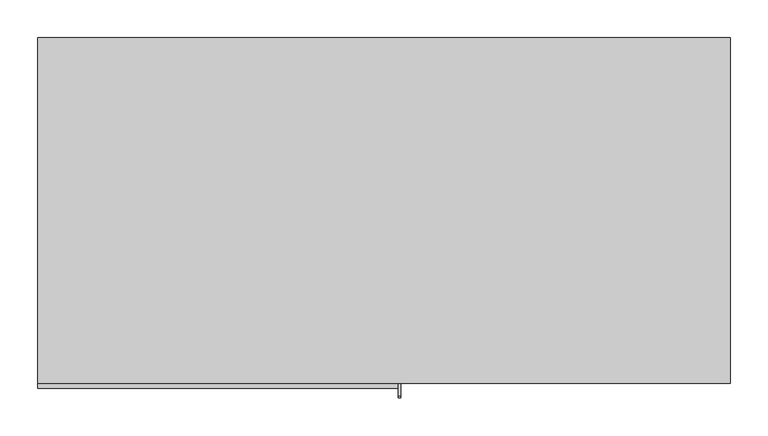
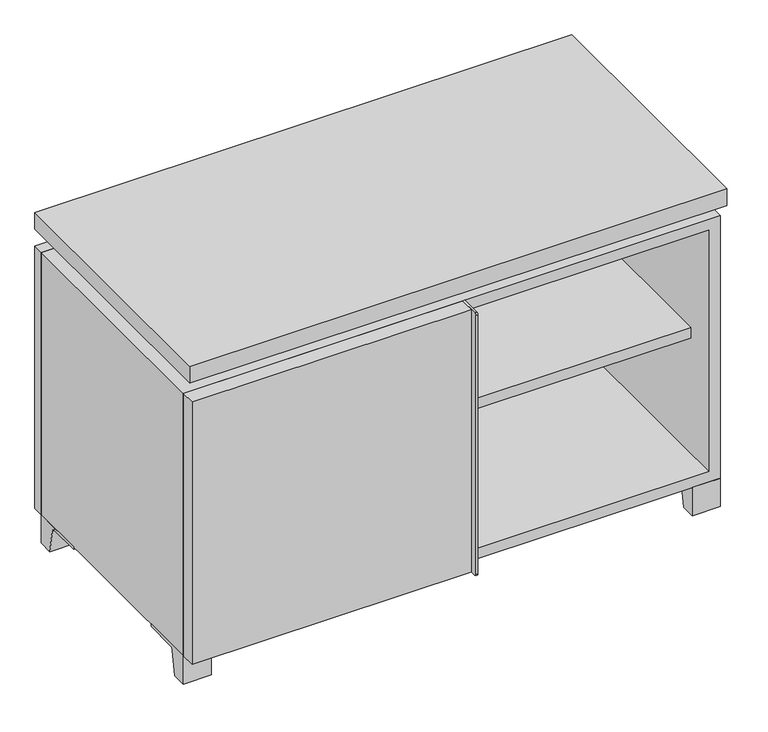
"""IFC4 building model written with IfcOpenShell, lengths in millimetres: furniture geometry."""

from ifc_helpers import new_model, si_unit, point, frame, frame_2d, origin, place, context, project, spatial, polyline, circle_curve, trimmed, segment, composite_curve, outline, extrude, faceted_brep, source, transform, mapped, element, save


def furniture_01d9b42a(model_context):
    return source(origin(), model_context, "Body", "SolidModel", [
        extrude(outline(polyline([(9.5319453, 241.3), (438.1569453, 241.3), (438.1569453, -92.075), (9.5319453, -92.075), (9.5319453, 241.3)])), frame((0.0, 0.0, 277.8125), z_axis=(0.0, 0.0, 1.0), x_axis=(1.0, 0.0, 0.0)), (0.0, 0.0, 1.0), 19.05),
        extrude(outline(polyline([(-9.5041641, 241.3), (-9.5041641, -92.075), (-438.1291641, -92.075), (-438.1291641, 241.3), (-9.5041641, 241.3)])), frame((0.0, 0.0, 277.8125), z_axis=(0.0, 0.0, 1.0), x_axis=(1.0, 0.0, 0.0)), (0.0, 0.0, 1.0), 19.05),
        extrude(outline(polyline([(457.2138906, 292.1), (457.2138906, -165.1), (-457.1861094, -165.1), (-457.1861094, 292.1), (457.2138906, 292.1)])), frame((0.0, 0.0, 554.0375), z_axis=(0.0, 0.0, 1.0), x_axis=(1.0, 0.0, 0.0)), (0.0, 0.0, 1.0), 30.1625),
        extrude(outline(composite_curve([segment(polyline([(-146.05, 523.875), (-146.05, 50.8), (-180.975, 50.8)]), True, "CONTINUOUS"), segment(trimmed(circle_curve(frame_2d((-180.975, 53.975)), 3.175), [point((-180.975, 50.8))], [point((-184.15, 53.975))], False, "CARTESIAN"), True, "CONTINUOUS"), segment(polyline([(-184.15, 53.975), (-184.15, 520.7)]), True, "CONTINUOUS"), segment(trimmed(circle_curve(frame_2d((-180.975, 520.7)), 3.175), [point((-184.15, 520.7))], [point((-180.975, 523.875))], False, "CARTESIAN"), True, "CONTINUOUS"), segment(polyline([(-180.975, 523.875), (-146.05, 523.875)]), True, "CONTINUOUS")], self_intersect=False)), frame((19.0638906, 0.0, 0.0), z_axis=(1.0, 0.0, 0.0), x_axis=(0.0, 1.0, 0.0)), (0.0, 0.0, 1.0), 3.175),
        extrude(outline(polyline([(-457.1861094, -146.05), (19.0638906, -146.05), (19.0638906, -171.45), (-457.1861094, -171.45), (-457.1861094, -146.05)])), frame((0.0, 0.0, 50.8), z_axis=(0.0, 0.0, 1.0), x_axis=(1.0, 0.0, 0.0)), (0.0, 0.0, 1.0), 473.075),
        extrude(outline(composite_curve([segment(polyline([(-120.6500136, 0.0), (-146.05, 0.0), (-146.05, 50.8), (-50.8, 50.8), (-50.8, 46.0213321), (-107.6005345, 46.0213321)]), True, "CONTINUOUS"), segment(trimmed(circle_curve(frame_2d((-107.6005345, 39.6713321)), 6.35), [point((-107.6005345, 46.0213321))], [point((-113.8641359, 40.7152656))], True, "CARTESIAN"), True, "CONTINUOUS"), segment(polyline([(-113.8641359, 40.7152656), (-120.6500136, 0.0)]), True, "CONTINUOUS")], self_intersect=False)), frame((409.5888906, 0.0, 0.0), z_axis=(1.0, 0.0, 0.0), x_axis=(0.0, 1.0, 0.0)), (0.0, 0.0, 1.0), 47.625),
        extrude(outline(composite_curve([segment(polyline([(247.6500136, 0.0), (240.8641359, 40.7152656)]), True, "CONTINUOUS"), segment(trimmed(circle_curve(frame_2d((234.6005345, 39.6713321)), 6.35), [point((240.8641359, 40.7152656))], [point((234.6005345, 46.0213321))], True, "CARTESIAN"), True, "CONTINUOUS"), segment(polyline([(234.6005345, 46.0213321), (177.8, 46.0213321), (177.8, 50.8), (273.05, 50.8), (273.05, 0.0), (247.6500136, 0.0)]), True, "CONTINUOUS")], self_intersect=False)), frame((409.5888906, 0.0, 0.0), z_axis=(1.0, 0.0, 0.0), x_axis=(0.0, 1.0, 0.0)), (0.0, 0.0, 1.0), 47.625),
        extrude(outline(composite_curve([segment(polyline([(-120.6500136, 0.0), (-146.05, 0.0), (-146.05, 50.8), (-50.8, 50.8), (-50.8, 46.0213321), (-107.6005345, 46.0213321)]), True, "CONTINUOUS"), segment(trimmed(circle_curve(frame_2d((-107.6005345, 39.6713321)), 6.35), [point((-107.6005345, 46.0213321))], [point((-113.8641359, 40.7152656))], True, "CARTESIAN"), True, "CONTINUOUS"), segment(polyline([(-113.8641359, 40.7152656), (-120.6500136, 0.0)]), True, "CONTINUOUS")], self_intersect=False)), frame((-457.1861094, 0.0, 0.0), z_axis=(1.0, 0.0, 0.0), x_axis=(0.0, 1.0, 0.0)), (0.0, 0.0, 1.0), 47.625),
        extrude(outline(composite_curve([segment(polyline([(247.6500136, 0.0), (240.8641359, 40.7152656)]), True, "CONTINUOUS"), segment(trimmed(circle_curve(frame_2d((234.6005345, 39.6713321)), 6.35), [point((240.8641359, 40.7152656))], [point((234.6005345, 46.0213321))], True, "CARTESIAN"), True, "CONTINUOUS"), segment(polyline([(234.6005345, 46.0213321), (177.8, 46.0213321), (177.8, 50.8), (273.05, 50.8), (273.05, 0.0), (247.6500136, 0.0)]), True, "CONTINUOUS")], self_intersect=False)), frame((-457.1861094, 0.0, 0.0), z_axis=(1.0, 0.0, 0.0), x_axis=(0.0, 1.0, 0.0)), (0.0, 0.0, 1.0), 47.625),
        faceted_brep([(7.9513906, -120.65, 554.0375), (7.9513906, -120.65, 523.875), (7.9513906, 53.975, 523.875), (7.9513906, 53.975, 554.0375), (7.9513906, 247.65, 523.875), (7.9513906, 247.65, 554.0375), (7.9513906, 73.025, 554.0375), (7.9513906, 73.025, 523.875), (-7.9236094, 247.65, 554.0375), (-7.9236094, 247.65, 523.875), (-7.9236094, 73.025, 523.875), (-7.9236094, 73.025, 554.0375), (-7.9236094, -120.65, 523.875), (-7.9236094, -120.65, 554.0375), (-7.9236094, 53.975, 554.0375), (-7.9236094, 53.975, 523.875), (-415.8833281, 73.025, 554.0375), (-415.9041641, 247.65, 554.0375), (-431.7791641, 247.65, 554.0375), (-431.7791641, -120.65, 554.0375), (-415.9041641, -120.65, 554.0375), (-415.9041641, 53.975, 554.0375), (415.9111094, 53.975, 554.0375), (415.9111094, -120.65, 554.0375), (431.7861094, -120.65, 554.0375), (431.7861094, 247.65, 554.0375), (415.9111094, 247.65, 554.0375), (415.9111094, 73.025, 554.0375), (-415.8833281, 53.975, 523.875), (-415.9041641, -120.65, 523.875), (-431.7791641, -120.65, 523.875), (-431.7791641, 247.65, 523.875), (-415.9041641, 247.65, 523.875), (-415.9041641, 73.025, 523.875), (415.9111094, 73.025, 523.875), (415.9111094, 247.65, 523.875), (431.7861094, 247.65, 523.875), (431.7861094, -120.65, 523.875), (415.9111094, -120.65, 523.875), (415.9111094, 53.975, 523.875)], [[[0, 1, 2, 3]], [[4, 5, 6, 7]], [[8, 9, 10, 11]], [[12, 13, 14, 15]], [[5, 8, 11, 16, 17, 18, 19, 20, 21, 14, 13, 0, 3, 22, 23, 24, 25, 26, 27, 6]], [[1, 12, 15, 28, 29, 30, 31, 32, 33, 10, 9, 4, 7, 34, 35, 36, 37, 38, 39, 2]], [[5, 4, 9, 8]], [[1, 0, 13, 12]], [[6, 27, 34, 7]], [[22, 3, 2, 39]], [[20, 29, 28, 21]], [[32, 17, 16, 33]], [[18, 31, 30, 19]], [[29, 20, 19, 30]], [[17, 32, 31, 18]], [[26, 35, 34, 27]], [[38, 23, 22, 39]], [[25, 24, 37, 36]], [[23, 38, 37, 24]], [[35, 26, 25, 36]], [[16, 11, 10, 33]], [[14, 21, 28, 15]]]),
        extrude(outline(polyline([(9.5388906, 241.3), (9.5388906, -95.25), (-9.5111094, -95.25), (-9.5111094, 241.3), (9.5388906, 241.3)])), frame((0.0, 0.0, 69.85), z_axis=(0.0, 0.0, 1.0), x_axis=(1.0, 0.0, 0.0)), (0.0, 0.0, 1.0), 434.975),
        extrude(outline(polyline([(15.8888906, -88.9), (15.8888906, -146.05), (-9.5111094, -146.05), (-9.5111094, -120.65), (3.1888906, -120.65), (3.1888906, -88.9), (15.8888906, -88.9)])), frame((0.0, 0.0, 69.85), z_axis=(0.0, 0.0, 1.0), x_axis=(1.0, 0.0, 0.0)), (0.0, 0.0, 1.0), 434.975),
        extrude(outline(polyline([(457.2138906, 273.05), (-457.1861094, 273.05), (-457.1861094, 292.1), (457.2138906, 292.1), (457.2138906, 273.05)])), frame((0.0, 0.0, 50.8), z_axis=(0.0, 0.0, 1.0), x_axis=(1.0, 0.0, 0.0)), (0.0, 0.0, 1.0), 473.075),
        extrude(outline(polyline([(50.8, -457.1861094), (50.8, 457.2), (523.875, 457.2), (523.875, -457.1861094), (50.8, -457.1861094)]), holes=[polyline([(69.85, -438.1361094), (504.825, -438.1361094), (504.825, 438.1361094), (69.85, 438.1361094), (69.85, -438.1361094)])]), frame((0.0, -146.05, 0.0), z_axis=(0.0, 1.0, 0.0), x_axis=(0.0, 0.0, 1.0)), (0.0, 0.0, 1.0), 419.1),
        extrude(outline(polyline([(-438.1291641, 241.3), (-438.1291641, 247.65), (438.1569453, 247.65), (438.1569453, 241.3), (-438.1291641, 241.3)])), frame((0.0, 0.0, 69.85), z_axis=(0.0, 0.0, 1.0), x_axis=(1.0, 0.0, 0.0)), (0.0, 0.0, 1.0), 434.975),
    ])


if __name__ == "__main__":
    model = new_model("IFC4")
    model_context = context("Model", 3, world=origin())
    ifc_project = project(units=[si_unit("LENGTHUNIT", "METRE", prefix="MILLI")], contexts=[model_context])
    site = spatial("IfcSite", under=ifc_project)
    building = spatial("IfcBuilding", under=site)
    placement = place(None, origin())
    furniture_shape = furniture_01d9b42a(model_context)
    element("IfcFurniture", 1, at=placement, inside=building, context=model_context, shape_type="MappedRepresentation", body=[
        mapped(furniture_shape, transform((0.0, 0.0, 0.0), x_axis=(1.0, 0.0, 0.0), y_axis=(0.0, 1.0, 0.0), z_axis=(0.0, 0.0, 1.0))),
    ])
    save(model, "model.ifc")
